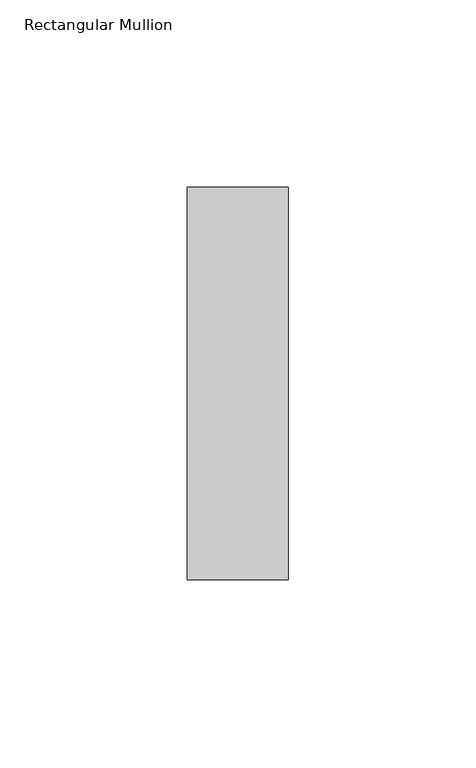
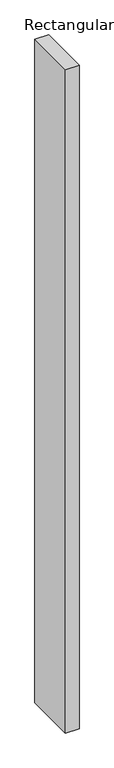
"""IFC4 building model written with IfcOpenShell, lengths in millimetres: member geometry, Rectangular Mullion."""

import ifcopenshell
import ifcopenshell.guid

model = None  # the IFC model being written
_history = None  # IfcOwnerHistory: only IFC2X3 demands one
_inside = {}  # id of a spatial element -> (the spatial element, [elements in it])
_under = {}  # id of a project, library or spatial element -> (it, [spatial elements below it])
_declared = {}  # id of a project -> (the project, [libraries it declares])
_typed = {}  # id of a type object -> (the type object, [elements of that type])
_made_of = {}  # id of a material, layer set ... -> (it, [elements and type objects made of it])


def new_model(schema):
    """Start an empty IFC model of exactly this schema.

    Asked for "IFC4X3", IfcOpenShell would pick the latest addendum, in which some entities
    have other attributes; the version numbers below select the first issue.
    IFC2X3 requires an IfcOwnerHistory on every rooted entity: one is made here for all.
    """
    global model, _history
    if schema == "IFC4X3":
        model = ifcopenshell.file(schema_version=(4, 3, 0, 0))
    else:
        model = ifcopenshell.file(schema=schema)
    _inside.clear()
    _under.clear()
    _declared.clear()
    _typed.clear()
    _made_of.clear()
    _history = None
    if model.schema == "IFC2X3":
        org = make("IfcOrganization", Name="unknown")
        user = make(
            "IfcPersonAndOrganization",
            ThePerson=make("IfcPerson", FamilyName="unknown"),
            TheOrganization=org,
        )
        app = make(
            "IfcApplication",
            ApplicationDeveloper=org,
            Version="unknown",
            ApplicationFullName="unknown",
            ApplicationIdentifier="unknown",
        )
        _history = make(
            "IfcOwnerHistory",
            OwningUser=user,
            OwningApplication=app,
            ChangeAction="ADDED",
            CreationDate=0,
        )
    return model


def make(cls, **values):
    """One entity of the class cls with the attributes given. An attribute that is None is left unset."""
    return model.create_entity(
        cls, **{name: value for name, value in values.items() if value is not None}
    )


def rooted(cls, **values):
    """An entity with a GlobalId (a new one), such as an element, a storey or a relation."""
    return make(cls, GlobalId=ifcopenshell.guid.new(), OwnerHistory=_history, **values)


def si_unit(unit_type, name, prefix=None):
    """IfcSIUnit, for example si_unit("LENGTHUNIT", "METRE", prefix="MILLI")."""
    return make("IfcSIUnit", UnitType=unit_type, Prefix=prefix, Name=name)


def assignment(units):
    """IfcUnitAssignment: the units of a project."""
    return None if units is None else make("IfcUnitAssignment", Units=units)


def point(xyz):
    """IfcCartesianPoint."""
    return None if xyz is None else make("IfcCartesianPoint", Coordinates=xyz)


def direction(xyz):
    """IfcDirection."""
    return None if xyz is None else make("IfcDirection", DirectionRatios=xyz)


def frame(location, z_axis=None, x_axis=None):
    """IfcAxis2Placement3D, a coordinate frame: its origin and axes. An axis left out is left unset."""
    return make(
        "IfcAxis2Placement3D",
        Location=point(location),
        Axis=direction(z_axis),
        RefDirection=direction(x_axis),
    )


def origin():
    """The frame at (0, 0, 0) with its axes left unset."""
    return frame((0.0, 0.0, 0.0))


def place(relative_to, where):
    """IfcLocalPlacement: puts the frame where relative to a parent placement (None: the world)."""
    return make(
        "IfcLocalPlacement", PlacementRelTo=relative_to, RelativePlacement=where
    )


def context(
    kind, dimensions, precision=None, world=None, true_north=None, identifier=None
):
    """IfcGeometricRepresentationContext, for example the 3D "Model" context."""
    return make(
        "IfcGeometricRepresentationContext",
        ContextIdentifier=identifier,
        ContextType=kind,
        CoordinateSpaceDimension=dimensions,
        Precision=precision,
        WorldCoordinateSystem=world,
        TrueNorth=true_north,
    )


def project(units=None, contexts=None):
    """IfcProject with its units and contexts."""
    return rooted(
        "IfcProject",
        Name="project",
        RepresentationContexts=contexts,
        UnitsInContext=assignment(units),
    )


def spatial(cls, under=None, at=None, **own):
    """A site, building, storey or space (cls), placed at a placement, below another one or the project."""
    s = rooted(cls, ObjectPlacement=at, **own)
    if under is not None:
        _under.setdefault(under.id(), (under, []))[1].append(s)
    return s


def polyline(points):
    """IfcPolyline through the points."""
    return make("IfcPolyline", Points=[point(p) for p in points])


def outline(outer, holes=None, kind="AREA"):
    """IfcArbitraryClosedProfileDef: a profile drawn as a closed curve; with holes, ...WithVoids."""
    if holes is None:
        return make("IfcArbitraryClosedProfileDef", ProfileType=kind, OuterCurve=outer)
    return make(
        "IfcArbitraryProfileDefWithVoids",
        ProfileType=kind,
        OuterCurve=outer,
        InnerCurves=holes,
    )


def extrude(swept, where, along, depth):
    """IfcExtrudedAreaSolid: the profile swept, set in the frame where, extruded along a direction by depth."""
    return make(
        "IfcExtrudedAreaSolid",
        SweptArea=swept,
        Position=where,
        ExtrudedDirection=direction(along),
        Depth=depth,
    )


def shape(context_of_items, identifier, shape_type, items):
    """IfcShapeRepresentation: the items that make up one representation, for example the "Body"."""
    return make(
        "IfcShapeRepresentation",
        ContextOfItems=context_of_items,
        RepresentationIdentifier=identifier,
        RepresentationType=shape_type,
        Items=items,
    )


def source(mapping_origin, context_of_items, identifier, shape_type, items):
    """IfcRepresentationMap: a shape defined once, which mapped items show again and again."""
    return make(
        "IfcRepresentationMap",
        MappingOrigin=mapping_origin,
        MappedRepresentation=shape(context_of_items, identifier, shape_type, items),
    )


def transform(
    local_origin,
    x_axis=None,
    y_axis=None,
    z_axis=None,
    scale=None,
    scale2=None,
    scale3=None,
    uniform=True,
):
    """IfcCartesianTransformationOperator3D, or its non-uniform kind. x_axis, y_axis, z_axis: its Axis1, 2, 3."""
    if uniform:
        return make(
            "IfcCartesianTransformationOperator3D",
            Axis1=direction(x_axis),
            Axis2=direction(y_axis),
            LocalOrigin=point(local_origin),
            Scale=scale,
            Axis3=direction(z_axis),
        )
    return make(
        "IfcCartesianTransformationOperator3DnonUniform",
        Axis1=direction(x_axis),
        Axis2=direction(y_axis),
        LocalOrigin=point(local_origin),
        Scale=scale,
        Axis3=direction(z_axis),
        Scale2=scale2,
        Scale3=scale3,
    )


def mapped(mapping_source, mapping_target):
    """IfcMappedItem: shows the shape of a source again, moved by a transform."""
    return make(
        "IfcMappedItem", MappingSource=mapping_source, MappingTarget=mapping_target
    )


def made_of(thing, what):
    """Note that an element or type object is made of a material, layer set ...; save() writes the relation."""
    if what is not None:
        _made_of.setdefault(what.id(), (what, []))[1].append(thing)
    return thing


def element(
    cls,
    number,
    at=None,
    inside=None,
    cuts=None,
    type_object=None,
    material=None,
    context=None,
    identifier="Body",
    shape_type=None,
    held_by="IfcProductDefinitionShape",
    body=None,
    shapes=None,
    **own,
):
    """One element of the class cls, such as IfcWall. Its Tag is "e" and its number.

    at: its placement. inside: the storey or other place that contains it. cuts: it is an
    opening in that element (IfcRelVoidsElement). A single representation is given by context,
    identifier, shape_type and body (its items); several are given by shapes. held_by: the class
    of the entity that holds the representations. save() writes the other relations.
    """
    e = rooted(cls, Tag="e%d" % number, ObjectPlacement=at, **own)
    if body is not None:
        shapes = [shape(context, identifier, shape_type, body)]
    if shapes is not None:
        e.Representation = make(held_by, Representations=shapes)
    if inside is not None:
        _inside.setdefault(inside.id(), (inside, []))[1].append(e)
    if cuts is not None:
        rooted(
            "IfcRelVoidsElement", RelatingBuildingElement=cuts, RelatedOpeningElement=e
        )
    if type_object is not None:
        _typed.setdefault(type_object.id(), (type_object, []))[1].append(e)
    return made_of(e, material)


def aggregate(whole, parts):
    """IfcRelAggregates: a whole, such as a stair, and the parts it consists of."""
    return rooted("IfcRelAggregates", RelatingObject=whole, RelatedObjects=parts)


def save(model, path):
    """Write the relations noted so far, then the file.

    IfcRelAggregates (storeys below a building ...), IfcRelContainedInSpatialStructure (elements
    in a storey), IfcRelDefinesByType, IfcRelAssociatesMaterial and IfcRelDeclares: one each for
    every whole, place, type object, material and project.
    """
    for whole, parts in _under.values():
        aggregate(whole, parts)
    for where, things in _inside.values():
        rooted(
            "IfcRelContainedInSpatialStructure",
            RelatedElements=things,
            RelatingStructure=where,
        )
    for kind, things in _typed.values():
        rooted("IfcRelDefinesByType", RelatedObjects=things, RelatingType=kind)
    for what, things in _made_of.values():
        rooted("IfcRelAssociatesMaterial", RelatedObjects=things, RelatingMaterial=what)
    for by, libraries in _declared.values():
        rooted("IfcRelDeclares", RelatingContext=by, RelatedDefinitions=libraries)
    model.write(path)


def rectangular_mullion_eff3d257(model_context):
    return source(origin(), model_context, "Body", "SweptSolid", [
        extrude(outline(polyline([(-27.0, 52.3975), (0.0, 52.3975), (0.0, -52.3975), (-27.0, -52.3975), (-27.0, 52.3975)])), frame((0.0, 0.0, -1390.0), z_axis=(0.0, 0.0, 1.0), x_axis=(1.0, 0.0, 0.0)), (0.0, 0.0, 1.0), 1390.0),
    ])


if __name__ == "__main__":
    model = new_model("IFC4")
    model_context = context("Model", 3, world=origin())
    ifc_project = project(units=[si_unit("LENGTHUNIT", "METRE", prefix="MILLI")], contexts=[model_context])
    site = spatial("IfcSite", under=ifc_project)
    building = spatial("IfcBuilding", under=site)
    placement = place(None, origin())
    rectangular_mullion_shape = rectangular_mullion_eff3d257(model_context)
    element("IfcMember", 1, ObjectType="Rectangular Mullion", at=placement, inside=building, context=model_context, shape_type="MappedRepresentation", body=[
        mapped(rectangular_mullion_shape, transform((0.0, 0.0, 0.0), x_axis=(1.0, 0.0, 0.0), y_axis=(0.0, 1.0, 0.0), z_axis=(0.0, 0.0, 1.0))),
    ])
    save(model, "model.ifc")
